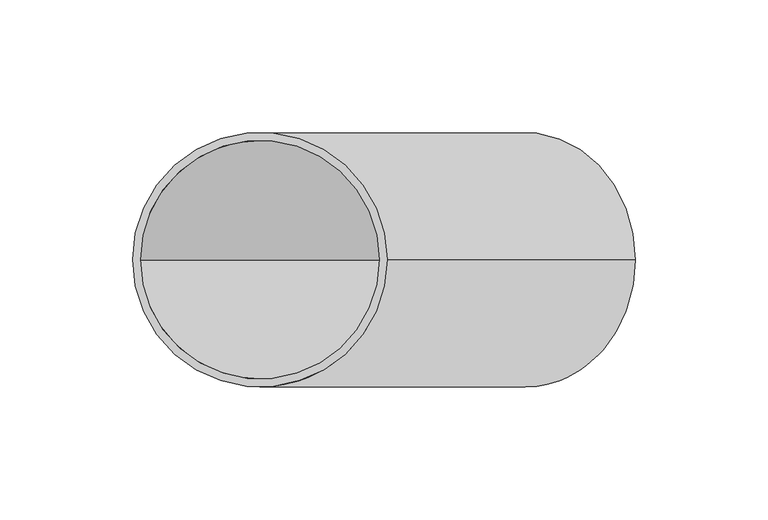
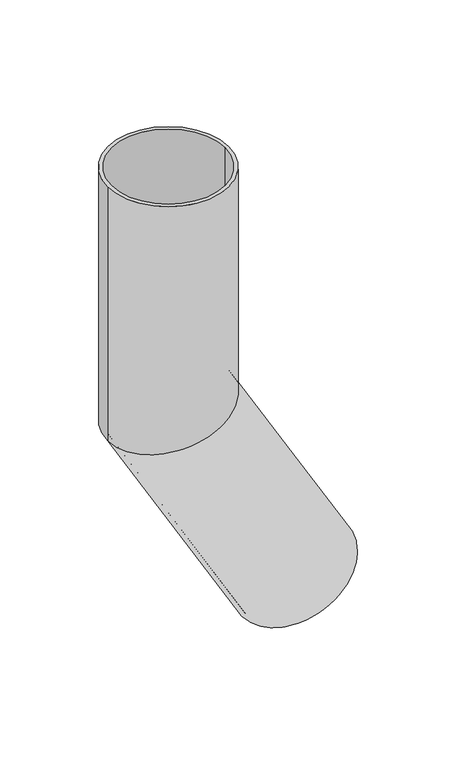
"""IFC4 building model written with IfcOpenShell, lengths in millimetres: beam geometry."""

from ifc_helpers import new_model, si_unit, frame, origin, place, context, project, spatial, polyline, circle_curve, ellipse_curve, source, transform, mapped, element, save
from ifc_brep_helpers import plane_surface, cylinder_surface, revolved_surface, advanced_brep


def beam_fc02fe7f(model_context):
    return source(origin(), model_context, "Body", "AdvancedBrep", [
        advanced_brep(
        [(141.5692194, 0.0, -349.2050808), (58.4307806, 0.0, -397.2050808), (138.9711432, 0.0, -350.7050808), (61.0288568, 0.0, -395.7050808), (48.0, 0.0, 0.0), (-48.0, 0.0, 0.0), (45.0, 0.0, 0.0), (-45.0, 0.0, 0.0), (45.0, 0.0, -187.9422863), (0.0, -45.0, -200.0), (-45.0, 0.0, -212.0577137), (0.0, 45.0, -200.0), (48.0, 0.0, -187.1384388), (-48.0, 0.0, -212.8615612)],
        [
            (0, 1, circle_curve(frame((100.0, 0.0, -373.2050808), z_axis=(0.5000000000000633, 0.0, -0.8660254037844022), x_axis=(-0.8660254037844022, 0.0, -0.5000000000000633)), 48.0)),
            (1, 0, circle_curve(frame((100.0, 0.0, -373.2050808), z_axis=(0.5000000000000633, 0.0, -0.8660254037844022), x_axis=(-0.8660254037844022, 0.0, -0.5000000000000633)), 48.0)),
            (2, 3, circle_curve(frame((100.0, 0.0, -373.2050808), z_axis=(-0.5000000000000633, 0.0, 0.8660254037844022), x_axis=(-0.8660254037844022, 0.0, -0.5000000000000633)), 45.0)),
            (3, 2, circle_curve(frame((100.0, 0.0, -373.2050808), z_axis=(-0.5000000000000633, 0.0, 0.8660254037844022), x_axis=(-0.8660254037844022, 0.0, -0.5000000000000633)), 45.0)),
            (4, 5, circle_curve(frame((0.0, 0.0, 0.0), z_axis=(0.0, 0.0, 1.0), x_axis=(-1.0, 0.0, 0.0)), 48.0)),
            (5, 4, circle_curve(frame((0.0, 0.0, 0.0), z_axis=(0.0, 0.0, 1.0), x_axis=(-1.0, 0.0, 0.0)), 48.0)),
            (6, 7, circle_curve(frame((0.0, 0.0, 0.0), z_axis=(0.0, 0.0, -1.0), x_axis=(-1.0, 0.0, 0.0)), 45.0)),
            (7, 6, circle_curve(frame((0.0, 0.0, 0.0), z_axis=(0.0, 0.0, -1.0), x_axis=(-1.0, 0.0, 0.0)), 45.0)),
            (6, 8),
            (8, 9, ellipse_curve(frame((0.0, 0.0, -200.0), z_axis=(0.25881904510255604, 0.0, -0.9659258262890589), x_axis=(0.9659258262890589, 0.0, 0.25881904510255593)), 46.5874281, 45.0)),
            (9, 10, ellipse_curve(frame((0.0, 0.0, -200.0), z_axis=(0.25881904510255604, 0.0, -0.9659258262890589), x_axis=(0.9659258262890589, 0.0, 0.25881904510255593)), 46.5874281, 45.0)),
            (10, 7),
            (10, 11, ellipse_curve(frame((0.0, 0.0, -200.0), z_axis=(0.25881904510255604, 0.0, -0.9659258262890589), x_axis=(0.9659258262890589, 0.0, 0.25881904510255593)), 46.5874281, 45.0)),
            (11, 8, ellipse_curve(frame((0.0, 0.0, -200.0), z_axis=(0.25881904510255604, 0.0, -0.9659258262890589), x_axis=(0.9659258262890589, 0.0, 0.25881904510255593)), 46.5874281, 45.0)),
            (4, 12),
            (12, 13, ellipse_curve(frame((0.0, 0.0, -200.0), z_axis=(-0.25881904510255604, 0.0, 0.9659258262890589), x_axis=(-0.9659258262890589, 0.0, -0.25881904510255593)), 49.6932567, 48.0)),
            (13, 5),
            (13, 12, ellipse_curve(frame((0.0, 0.0, -200.0), z_axis=(-0.25881904510255604, 0.0, 0.9659258262890589), x_axis=(-0.9659258262890589, 0.0, -0.25881904510255593)), 49.6932567, 48.0)),
            (2, 8),
            (10, 3),
            (0, 12),
            (13, 1),
        ],
        [
            plane_surface(frame((100.0, 0.0, -373.2050808), z_axis=(0.5000000000000633, 0.0, -0.8660254037844022), x_axis=(0.0, -1.0, 0.0))),
            plane_surface(frame((0.0, 0.0, 0.0), z_axis=(0.0, 0.0, 1.0), x_axis=(0.0, -1.0, 0.0))),
            revolved_surface(polyline([(-45.0, 0.0, 0.0), (-45.0, 0.0, -212.0577137)]), (0.0, 0.0, -200.0), (0.0, 0.0, 1.0)),
            cylinder_surface(frame((0.0, 0.0, -200.0), z_axis=(0.0, 0.0, -1.0), x_axis=(-1.0, 0.0, 0.0)), 48.0),
            revolved_surface(polyline([(-45.00000001629268, 0.0, -212.05771367432402), (61.02885683712861, 0.0, -395.7050808128663)]), (100.0, 0.0, -373.2050808), (-0.5000000000000633, 0.0, 0.8660254037844022)),
            cylinder_surface(frame((100.0, 0.0, -373.2050808), z_axis=(0.5000000000000633, 0.0, -0.8660254037844022), x_axis=(-0.8660254037844022, 0.0, -0.5000000000000633)), 48.0),
        ],
        [
            (0, [[1, 2], [3, 4]]),
            (1, [[5, 6], [7, 8]]),
            (2, [[-7, 9, 10, 11, 12]]),
            (2, [[-8, -12, 13, 14, -9]]),
            (3, [[-5, 15, 16, 17]]),
            (3, [[-6, -17, 18, -15]]),
            (4, [[-3, 19, -14, -13, 20]]),
            (4, [[-4, -20, -11, -10, -19]]),
            (5, [[-1, 21, -18, 22]]),
            (5, [[-2, -22, -16, -21]]),
        ],
    ),
    ])


if __name__ == "__main__":
    model = new_model("IFC4")
    model_context = context("Model", 3, world=origin())
    ifc_project = project(units=[si_unit("LENGTHUNIT", "METRE", prefix="MILLI")], contexts=[model_context])
    site = spatial("IfcSite", under=ifc_project)
    building = spatial("IfcBuilding", under=site)
    placement = place(None, origin())
    beam_shape = beam_fc02fe7f(model_context)
    element("IfcBeam", 1, at=placement, inside=building, context=model_context, shape_type="MappedRepresentation", body=[
        mapped(beam_shape, transform((0.0, 0.0, 0.0), x_axis=(1.0, 0.0, 0.0), y_axis=(0.0, 1.0, 0.0), z_axis=(0.0, 0.0, 1.0))),
    ])
    save(model, "model.ifc")
